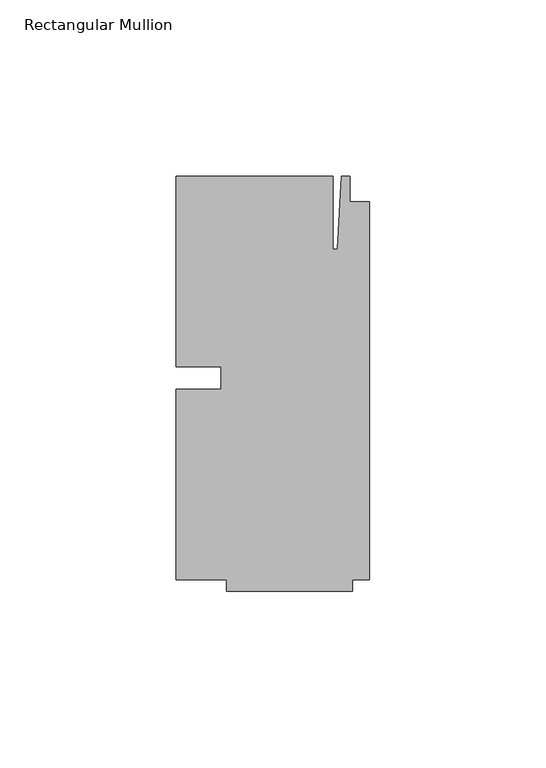
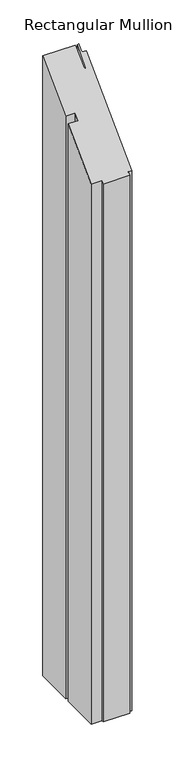
"""IFC4 building model written with IfcOpenShell, lengths in millimetres: member geometry, Rectangular Mullion."""

from ifc_helpers import new_model, si_unit, origin, place, context, project, spatial, faceted_brep, source, transform, mapped, element, save


def rectangular_mullion_f68b7bc5(model_context):
    return source(origin(), model_context, "Body", "Brep", [
        faceted_brep([(-42.06875, -3.175, -830.7916667), (-42.06875, 3.175, -830.7916667), (-54.76875, 3.175, -830.7916667), (-54.76875, 57.15, -830.7916667), (-10.31875, 57.15, -830.7916667), (-10.31875, 36.5125, -830.7916667), (-9.0190655, 36.5125, -830.7916667), (-7.9375, 57.15, -830.7916667), (-5.55625, 57.15, -830.7916667), (-5.55625, 50.00625, -830.7916667), (0.0, 50.00625, -830.7916667), (0.0, -57.15, -830.7916667), (-4.7625, -57.15, -830.7916667), (-4.7625, -60.325, -830.7916667), (-40.48125, -60.325, -830.7916667), (-40.48125, -57.15, -830.7916667), (-54.76875, -57.15, -830.7916667), (-54.76875, -3.175, -830.7916667), (-54.76875, -3.175, -3.175), (-42.06875, -3.175, -3.175), (-54.76875, -57.15, -57.15), (-40.48125, -57.15, -57.15), (-40.48125, -60.325, -60.325), (-4.7625, -60.325, -60.325), (-4.7625, -57.15, -57.15), (0.0, -57.15, -57.15), (0.0, 50.00625, 50.00625), (-5.55625, 50.00625, 50.00625), (-5.55625, 57.15, 57.15), (-7.9375, 57.15, 57.15), (-9.0190655, 36.5125, 36.5125), (-10.31875, 36.5125, 36.5125), (-10.31875, 57.15, 57.15), (-54.76875, 57.15, 57.15), (-54.76875, 3.175, 3.175), (-42.06875, 3.175, 3.175)], [[[0, 1, 2, 3, 4, 5, 6, 7, 8, 9, 10, 11, 12, 13, 14, 15, 16, 17]], [[18, 19, 0, 17]], [[20, 18, 17, 16]], [[21, 20, 16, 15]], [[22, 21, 15, 14]], [[23, 22, 14, 13]], [[24, 23, 13, 12]], [[25, 24, 12, 11]], [[26, 25, 11, 10]], [[27, 26, 10, 9]], [[28, 27, 9, 8]], [[29, 28, 8, 7]], [[30, 29, 7, 6]], [[31, 30, 6, 5]], [[32, 31, 5, 4]], [[33, 32, 4, 3]], [[34, 33, 3, 2]], [[35, 34, 2, 1]], [[19, 35, 1, 0]], [[19, 18, 20, 21, 22, 23, 24, 25, 26, 27, 28, 29, 30, 31, 32, 33, 34, 35]]]),
    ])


if __name__ == "__main__":
    model = new_model("IFC4")
    model_context = context("Model", 3, world=origin())
    ifc_project = project(units=[si_unit("LENGTHUNIT", "METRE", prefix="MILLI")], contexts=[model_context])
    site = spatial("IfcSite", under=ifc_project)
    building = spatial("IfcBuilding", under=site)
    placement = place(None, origin())
    rectangular_mullion_shape = rectangular_mullion_f68b7bc5(model_context)
    element("IfcMember", 1, ObjectType="Rectangular Mullion", at=placement, inside=building, context=model_context, shape_type="MappedRepresentation", body=[
        mapped(rectangular_mullion_shape, transform((0.0, 0.0, 0.0), x_axis=(1.0, 0.0, 0.0), y_axis=(0.0, 1.0, 0.0), z_axis=(0.0, 0.0, 1.0))),
    ])
    save(model, "model.ifc")
